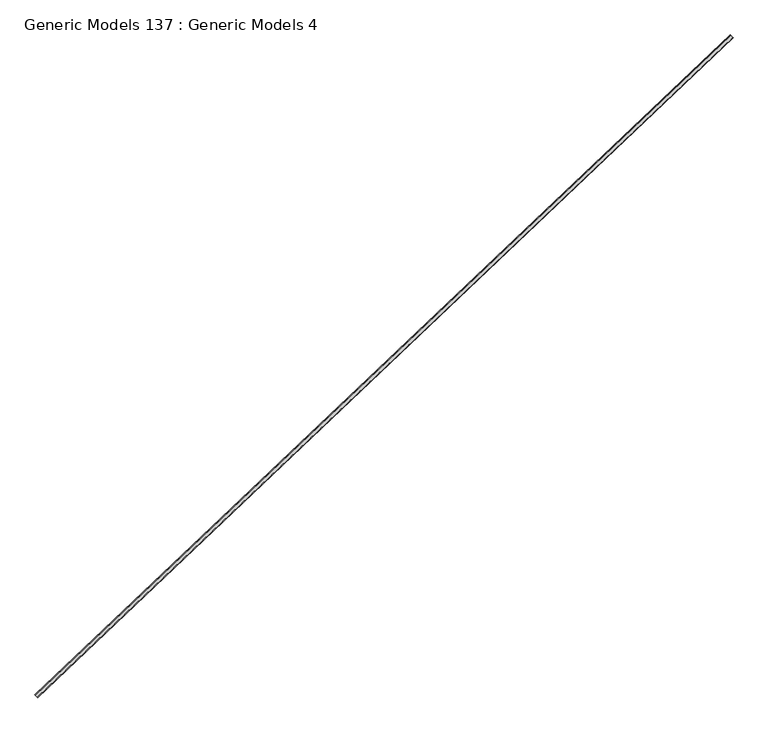
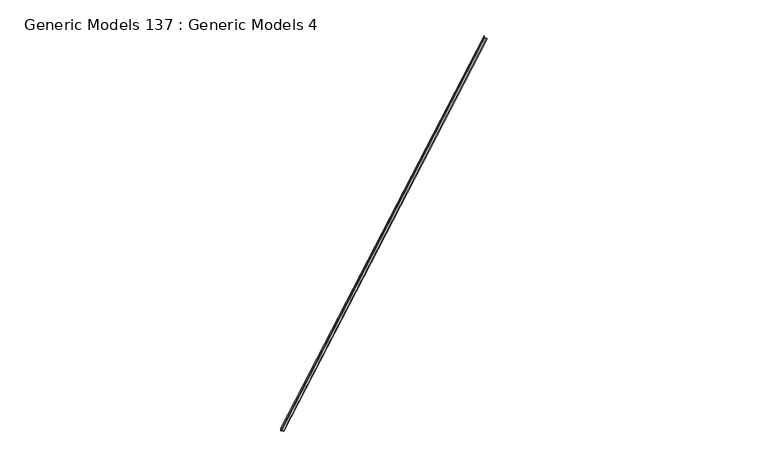
"""IFC4 building model written with IfcOpenShell, lengths in millimetres: proxy geometry, Generic Models 137 : Generic Models 4."""

from ifc_helpers import new_model, si_unit, point, frame, frame_2d, origin, place, context, project, spatial, polyline, circle_curve, trimmed, segment, composite_curve, outline, extrude, source, transform, mapped, element, save


def generic_models_137_generic_models_4_6d3074ba(model_context):
    return source(origin(), model_context, "Body", "SweptSolid", [
        extrude(outline(composite_curve([segment(polyline([(0.0, 0.0), (0.0, 76.1984912)]), True, "CONTINUOUS"), segment(trimmed(circle_curve(frame_2d((-1.2806728, 68.6760551)), 7.6306728), [point((0.0, 76.1984912))], [point((6.35, 68.6760551))], False, "CARTESIAN"), True, "CONTINUOUS"), segment(polyline([(6.35, 68.6760551), (6.35, 13.9806728)]), True, "CONTINUOUS"), segment(trimmed(circle_curve(frame_2d((13.9806728, 13.9806728)), 7.6306728), [point((6.35, 13.9806728))], [point((13.9806728, 6.3499999))], True, "CARTESIAN"), True, "CONTINUOUS"), segment(polyline([(13.9806728, 6.3499999), (68.6760552, 6.3499999)]), True, "CONTINUOUS"), segment(trimmed(circle_curve(frame_2d((68.6760552, -1.2806729)), 7.6306728), [point((68.6760552, 6.3499999))], [point((76.1984912, 0.0))], False, "CARTESIAN"), True, "CONTINUOUS"), segment(polyline([(76.1984912, 0.0), (0.0, 0.0)]), True, "CONTINUOUS")], self_intersect=False)), frame((93725.15944, 50982.18575, 17094.2), z_axis=(0.725374371012385, 0.6883545756936514, 0.0), x_axis=(0.0, 0.0, 1.0)), (0.0, 0.0, 1.0), 17679.9875),
    ])


if __name__ == "__main__":
    model = new_model("IFC4")
    model_context = context("Model", 3, world=origin())
    ifc_project = project(units=[si_unit("LENGTHUNIT", "METRE", prefix="MILLI")], contexts=[model_context])
    site = spatial("IfcSite", under=ifc_project)
    building = spatial("IfcBuilding", under=site)
    placement = place(None, origin())
    generic_models_137_generic_models_4_shape = generic_models_137_generic_models_4_6d3074ba(model_context)
    element("IfcBuildingElementProxy", 1, Name="Generic Models 137 : Generic Models 4", ObjectType="Generic Models 137 : Generic Models 4", at=placement, inside=building, context=model_context, shape_type="MappedRepresentation", body=[
        mapped(generic_models_137_generic_models_4_shape, transform((0.0, 0.0, 0.0), x_axis=(1.0, 0.0, 0.0), y_axis=(0.0, 1.0, 0.0), z_axis=(0.0, 0.0, 1.0))),
    ])
    save(model, "model.ifc")
